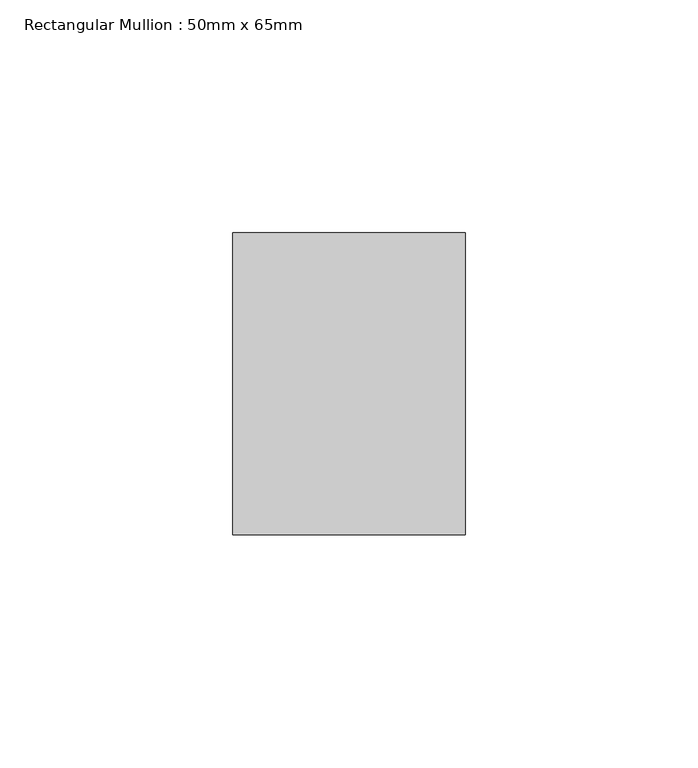
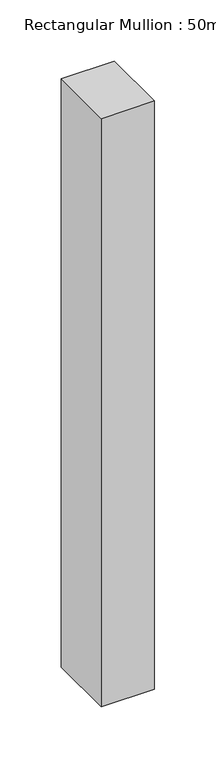
"""IFC4 building model written with IfcOpenShell, lengths in millimetres: member geometry, Rectangular Mullion : 50mm x 65mm."""

from ifc_helpers import new_model, si_unit, frame, origin, place, context, project, spatial, polyline, outline, extrude, source, transform, mapped, element, save


def rectangular_mullion_50mm_x_65mm_b23d1813(model_context):
    return source(origin(), model_context, "Body", "SweptSolid", [
        extrude(outline(polyline([(25.0, 32.5), (25.0, -32.5), (-25.0, -32.5), (-25.0, 32.5), (25.0, 32.5)])), frame((0.0, 0.0, -585.2036144), z_axis=(0.0, 0.0, 1.0), x_axis=(1.0, 0.0, 0.0)), (0.0, 0.0, 1.0), 585.2036144),
    ])


if __name__ == "__main__":
    model = new_model("IFC4")
    model_context = context("Model", 3, world=origin())
    ifc_project = project(units=[si_unit("LENGTHUNIT", "METRE", prefix="MILLI")], contexts=[model_context])
    site = spatial("IfcSite", under=ifc_project)
    building = spatial("IfcBuilding", under=site)
    placement = place(None, origin())
    rectangular_mullion_50mm_x_65mm_shape = rectangular_mullion_50mm_x_65mm_b23d1813(model_context)
    element("IfcMember", 1, ObjectType="Rectangular Mullion : 50mm x 65mm", at=placement, inside=building, context=model_context, shape_type="MappedRepresentation", body=[
        mapped(rectangular_mullion_50mm_x_65mm_shape, transform((0.0, 0.0, 0.0), x_axis=(1.0, 0.0, 0.0), y_axis=(0.0, 1.0, 0.0), z_axis=(0.0, 0.0, 1.0))),
    ])
    save(model, "model.ifc")
